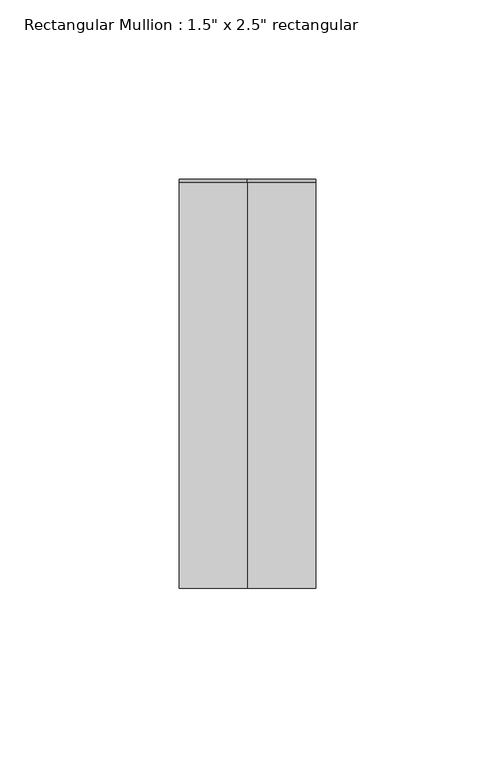
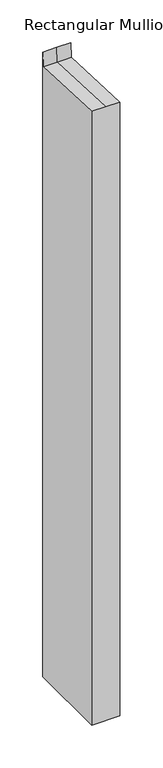
"""IFC4 building model written with IfcOpenShell, lengths in millimetres: member geometry."""

from ifc_helpers import new_model, si_unit, origin, place, context, project, spatial, faceted_brep, source, transform, mapped, element, save


def member_7b4c7c9e(model_context):
    return source(origin(), model_context, "Body", "Brep", [
        faceted_brep([(19.05, 57.15, -873.5132488), (19.05, -57.15, -873.5132488), (-19.05, -57.15, -873.5132488), (-19.05, 57.15, -873.5132488), (-19.05, 57.15, 17.8029826), (0.0, 57.15, 17.8029826), (19.05, 57.15, 17.8029826), (-19.05, -57.15, 2.4770742), (-19.05, 56.2646565, -2.4747166), (19.05, -57.15, 2.4770742), (0.0, -57.15, 2.4770742), (19.05, 56.2646565, -2.4747166), (0.0, 56.2646565, -2.4747166)], [[[0, 1, 2, 3]], [[4, 5, 6, 0, 3]], [[7, 8, 4, 3, 2]], [[9, 10, 7, 2, 1]], [[6, 11, 9, 1, 0]], [[6, 5, 12, 11]], [[5, 4, 8, 12]], [[8, 7, 10, 12]], [[10, 9, 11, 12]]]),
    ])


if __name__ == "__main__":
    model = new_model("IFC4")
    model_context = context("Model", 3, world=origin())
    ifc_project = project(units=[si_unit("LENGTHUNIT", "METRE", prefix="MILLI")], contexts=[model_context])
    site = spatial("IfcSite", under=ifc_project)
    building = spatial("IfcBuilding", under=site)
    placement = place(None, origin())
    member_shape = member_7b4c7c9e(model_context)
    element("IfcMember", 1, ObjectType="Rectangular Mullion : 1.5\" x 2.5\" rectangular", at=placement, inside=building, context=model_context, shape_type="MappedRepresentation", body=[
        mapped(member_shape, transform((0.0, 0.0, 0.0), x_axis=(1.0, 0.0, 0.0), y_axis=(0.0, 1.0, 0.0), z_axis=(0.0, 0.0, 1.0))),
    ])
    save(model, "model.ifc")
